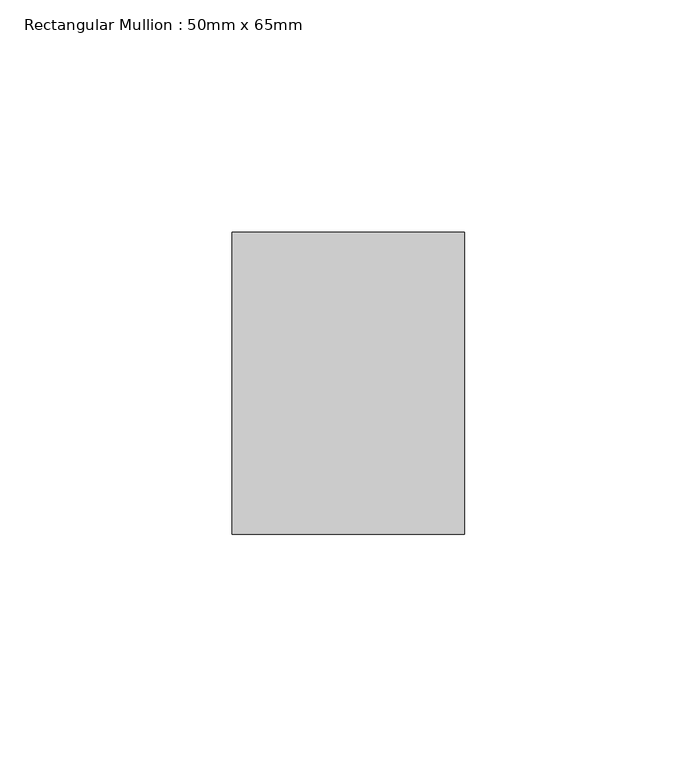
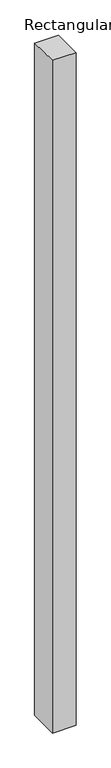
"""IFC4 building model written with IfcOpenShell, lengths in millimetres: member geometry, Rectangular Mullion : 50mm x 65mm."""

from ifc_helpers import new_model, si_unit, origin, place, context, project, spatial, faceted_brep, source, transform, mapped, element, save


def rectangular_mullion_50mm_x_65mm_cb6a3503(model_context):
    return source(origin(), model_context, "Body", "Brep", [
        faceted_brep([(-25.0, 32.5, -0.3057246), (25.0, 32.5, -0.3057231), (25.0, 32.5, -1499.7971727), (-25.0, 32.5, -1499.7971717), (-25.0, -32.5, 0.3057231), (-25.0, -32.5, -1500.2026475), (25.0, -32.5, 0.3057246), (25.0, -32.5, -1500.2026485)], [[[0, 1, 2, 3]], [[4, 0, 3, 5]], [[6, 4, 5, 7]], [[1, 6, 7, 2]], [[1, 0, 4, 6]], [[2, 7, 5, 3]]]),
    ])


if __name__ == "__main__":
    model = new_model("IFC4")
    model_context = context("Model", 3, world=origin())
    ifc_project = project(units=[si_unit("LENGTHUNIT", "METRE", prefix="MILLI")], contexts=[model_context])
    site = spatial("IfcSite", under=ifc_project)
    building = spatial("IfcBuilding", under=site)
    placement = place(None, origin())
    rectangular_mullion_50mm_x_65mm_shape = rectangular_mullion_50mm_x_65mm_cb6a3503(model_context)
    element("IfcMember", 1, ObjectType="Rectangular Mullion : 50mm x 65mm", at=placement, inside=building, context=model_context, shape_type="MappedRepresentation", body=[
        mapped(rectangular_mullion_50mm_x_65mm_shape, transform((0.0, 0.0, 0.0), x_axis=(1.0, 0.0, 0.0), y_axis=(0.0, 1.0, 0.0), z_axis=(0.0, 0.0, 1.0))),
    ])
    save(model, "model.ifc")
